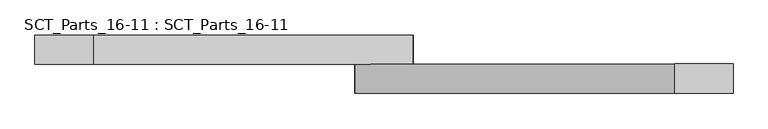
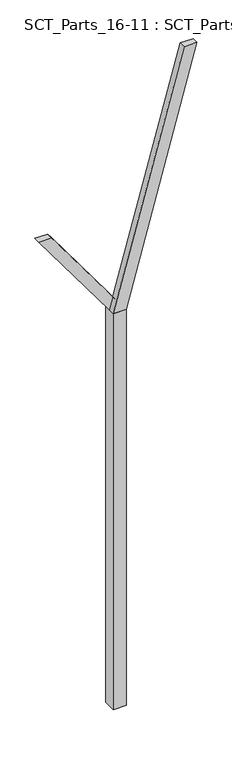
"""IFC4 building model written with IfcOpenShell, lengths in millimetres: proxy geometry, SCT_Parts_16-11 : SCT_Parts_16-11."""

from ifc_helpers import new_model, si_unit, frame, origin, origin_with_axes, place, context, project, spatial, polyline, outline, extrude, source, transform, mapped, element, save


def sct_parts_16_11_sct_parts_16_11_ca41488c(model_context):
    return source(origin(), model_context, "Body", "SweptSolid", [
        extrude(outline(polyline([(6500.0, 200.0), (10500.0, 1300.0), (10500.0, 1100.0), (6500.0, 0.0), (6500.0, 200.0)])), frame((0.0, -200.0, 0.0), z_axis=(0.0, 1.0, 0.0), x_axis=(0.0, 0.0, 1.0)), (0.0, 0.0, 1.0), 100.0),
        extrude(outline(polyline([(6500.0, 0.0), (6500.0, 200.0), (8000.0, -900.0), (8000.0, -1100.0), (6500.0, 0.0)])), frame((0.0, -100.0, 0.0), z_axis=(0.0, 1.0, 0.0), x_axis=(0.0, 0.0, 1.0)), (0.0, 0.0, 1.0), 100.0),
        extrude(outline(polyline([(200.0, -200.0), (0.0, -200.0), (0.0, 0.0), (200.0, 0.0), (200.0, -200.0)])), origin_with_axes(), (0.0, 0.0, 1.0), 6500.0),
    ])


if __name__ == "__main__":
    model = new_model("IFC4")
    model_context = context("Model", 3, world=origin())
    ifc_project = project(units=[si_unit("LENGTHUNIT", "METRE", prefix="MILLI")], contexts=[model_context])
    site = spatial("IfcSite", under=ifc_project)
    building = spatial("IfcBuilding", under=site)
    placement = place(None, origin())
    sct_parts_16_11_sct_parts_16_11_shape = sct_parts_16_11_sct_parts_16_11_ca41488c(model_context)
    element("IfcBuildingElementProxy", 1, Name="SCT_Parts_16-11 : SCT_Parts_16-11", ObjectType="SCT_Parts_16-11 : SCT_Parts_16-11", at=placement, inside=building, context=model_context, shape_type="MappedRepresentation", body=[
        mapped(sct_parts_16_11_sct_parts_16_11_shape, transform((0.0, 0.0, 0.0), x_axis=(1.0, 0.0, 0.0), y_axis=(0.0, 1.0, 0.0), z_axis=(0.0, 0.0, 1.0))),
    ])
    save(model, "model.ifc")
